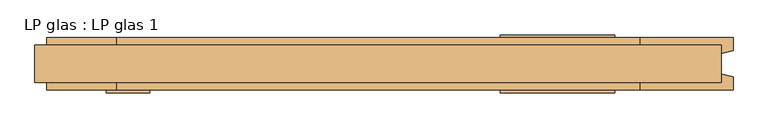
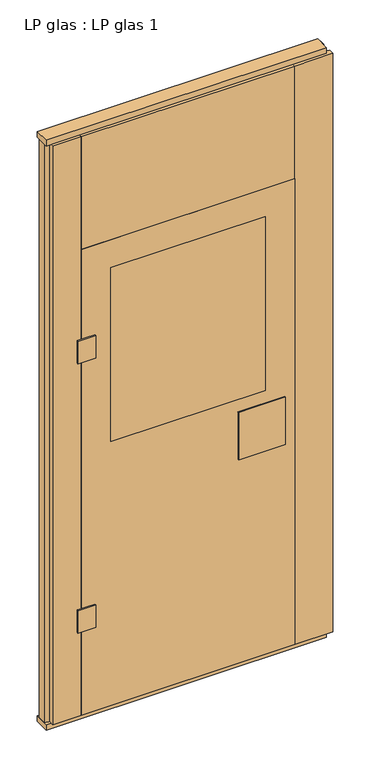
"""IFC4 building model written with IfcOpenShell, lengths in millimetres: door geometry, LP glas : LP glas 1."""

from ifc_helpers import new_model, si_unit, frame, origin, origin_with_axes, place, context, project, spatial, polyline, outline, extrude, source, transform, mapped, element, save


def lp_glas_lp_glas_1_5c967ce2(model_context):
    return source(origin(), model_context, "Body", "SweptSolid", [
        extrude(outline(polyline([(-325.0, -45.0), (-325.0, 45.0), (325.0, 45.0), (325.0, -45.0), (-325.0, -45.0)])), frame((0.0, 0.0, 1200.0), z_axis=(0.0, 0.0, 1.0), x_axis=(1.0, 0.0, 0.0)), (0.0, 0.0, 1.0), 775.0),
        extrude(outline(polyline([(-392.5, -45.0), (-392.5, -50.0), (-467.5, -50.0), (-467.5, -45.0), (-392.5, -45.0)])), frame((0.0, 0.0, 1600.0), z_axis=(0.0, 0.0, 1.0), x_axis=(1.0, 0.0, 0.0)), (0.0, 0.0, 1.0), 100.0),
        extrude(outline(polyline([(-392.5, -45.0), (-392.5, -50.0), (-467.5, -50.0), (-467.5, -45.0), (-392.5, -45.0)])), frame((0.0, 0.0, 400.0), z_axis=(0.0, 0.0, 1.0), x_axis=(1.0, 0.0, 0.0)), (0.0, 0.0, 1.0), 100.0),
        extrude(outline(polyline([(-325.0, -45.0), (-325.0, 45.0), (325.0, 45.0), (325.0, -45.0), (-325.0, -45.0)])), frame((0.0, 0.0, 1200.0), z_axis=(0.0, 0.0, 1.0), x_axis=(1.0, 0.0, 0.0)), (0.0, 0.0, 1.0), 775.0),
        extrude(outline(polyline([(210.0, -50.0), (210.0, -45.0), (407.0, -45.0), (407.0, -50.0), (210.0, -50.0)])), frame((0.0, 0.0, 934.0), z_axis=(0.0, 0.0, 1.0), x_axis=(1.0, 0.0, 0.0)), (0.0, 0.0, 1.0), 212.0),
        extrude(outline(polyline([(210.0, 45.0), (210.0, 50.0), (407.0, 50.0), (407.0, 45.0), (210.0, 45.0)])), frame((0.0, 0.0, 934.0), z_axis=(0.0, 0.0, 1.0), x_axis=(1.0, 0.0, 0.0)), (0.0, 0.0, 1.0), 212.0),
        extrude(outline(polyline([(25.0, -450.0), (25.0, 450.0), (2100.0, 450.0), (2100.0, -450.0), (25.0, -450.0)]), holes=[polyline([(1200.0, 325.0), (1200.0, -325.0), (1975.0, -325.0), (1975.0, 325.0), (1200.0, 325.0)])]), frame((0.0, -45.0, 0.0), z_axis=(0.0, 1.0, 0.0), x_axis=(0.0, 0.0, 1.0)), (0.0, 0.0, 1.0), 90.0),
        extrude(outline(polyline([(590.0, 32.0), (590.0, -32.0), (-590.0, -32.0), (-590.0, 32.0), (590.0, 32.0)])), origin_with_axes(), (0.0, 0.0, 1.0), 25.0),
        extrude(outline(polyline([(590.0, 32.0), (590.0, -32.0), (-590.0, -32.0), (-590.0, 32.0), (590.0, 32.0)])), frame((0.0, 0.0, 2602.0), z_axis=(0.0, 0.0, 1.0), x_axis=(1.0, 0.0, 0.0)), (0.0, 0.0, 1.0), 25.0),
        extrude(outline(polyline([(-570.0, -45.0), (-570.0, -22.9993165), (-590.0, -17.6401049), (-590.0, 17.6401049), (-570.0, 22.9993165), (-570.0, 45.0), (-450.0, 45.0), (-450.0, -45.0), (-570.0, -45.0)])), frame((0.0, 0.0, 25.0), z_axis=(0.0, 0.0, 1.0), x_axis=(1.0, 0.0, 0.0)), (0.0, 0.0, 1.0), 2577.0),
        extrude(outline(polyline([(450.0, -45.0), (450.0, 45.0), (609.9999999, 45.0), (609.9999999, 22.9993165), (589.9999999, 17.6401049), (589.9999999, -17.6401049), (609.9999999, -22.9993165), (609.9999999, -45.0), (450.0, -45.0)])), frame((0.0, 0.0, 25.0), z_axis=(0.0, 0.0, 1.0), x_axis=(1.0, 0.0, 0.0)), (0.0, 0.0, 1.0), 2577.0),
        extrude(outline(polyline([(450.0, 45.0), (450.0, -45.0), (-450.0, -45.0), (-450.0, 45.0), (450.0, 45.0)])), frame((0.0, 0.0, 2100.0), z_axis=(0.0, 0.0, 1.0), x_axis=(1.0, 0.0, 0.0)), (0.0, 0.0, 1.0), 502.0),
    ])


if __name__ == "__main__":
    model = new_model("IFC4")
    model_context = context("Model", 3, world=origin())
    ifc_project = project(units=[si_unit("LENGTHUNIT", "METRE", prefix="MILLI")], contexts=[model_context])
    site = spatial("IfcSite", under=ifc_project)
    building = spatial("IfcBuilding", under=site)
    placement = place(None, origin())
    lp_glas_lp_glas_1_shape = lp_glas_lp_glas_1_5c967ce2(model_context)
    element("IfcDoor", 1, ObjectType="LP glas : LP glas 1", at=placement, inside=building, context=model_context, shape_type="MappedRepresentation", body=[
        mapped(lp_glas_lp_glas_1_shape, transform((0.0, 0.0, 0.0), x_axis=(1.0, 0.0, 0.0), y_axis=(0.0, 1.0, 0.0), z_axis=(0.0, 0.0, 1.0))),
    ])
    save(model, "model.ifc")
